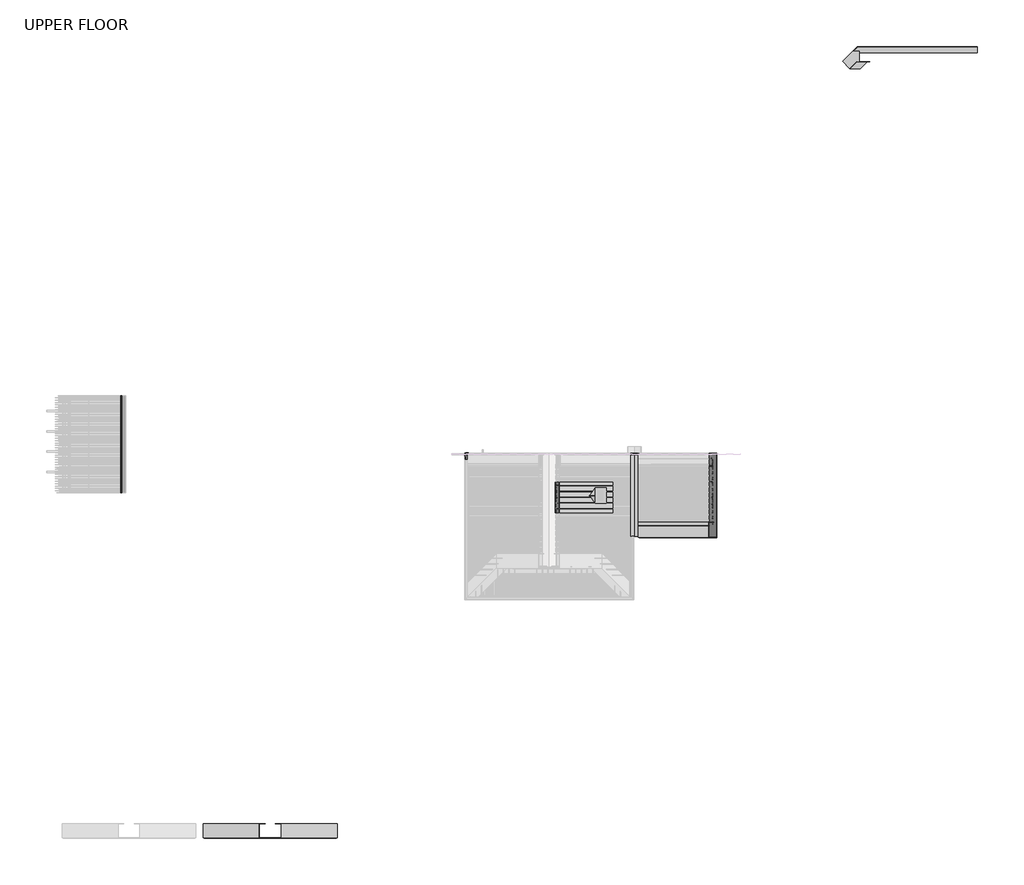
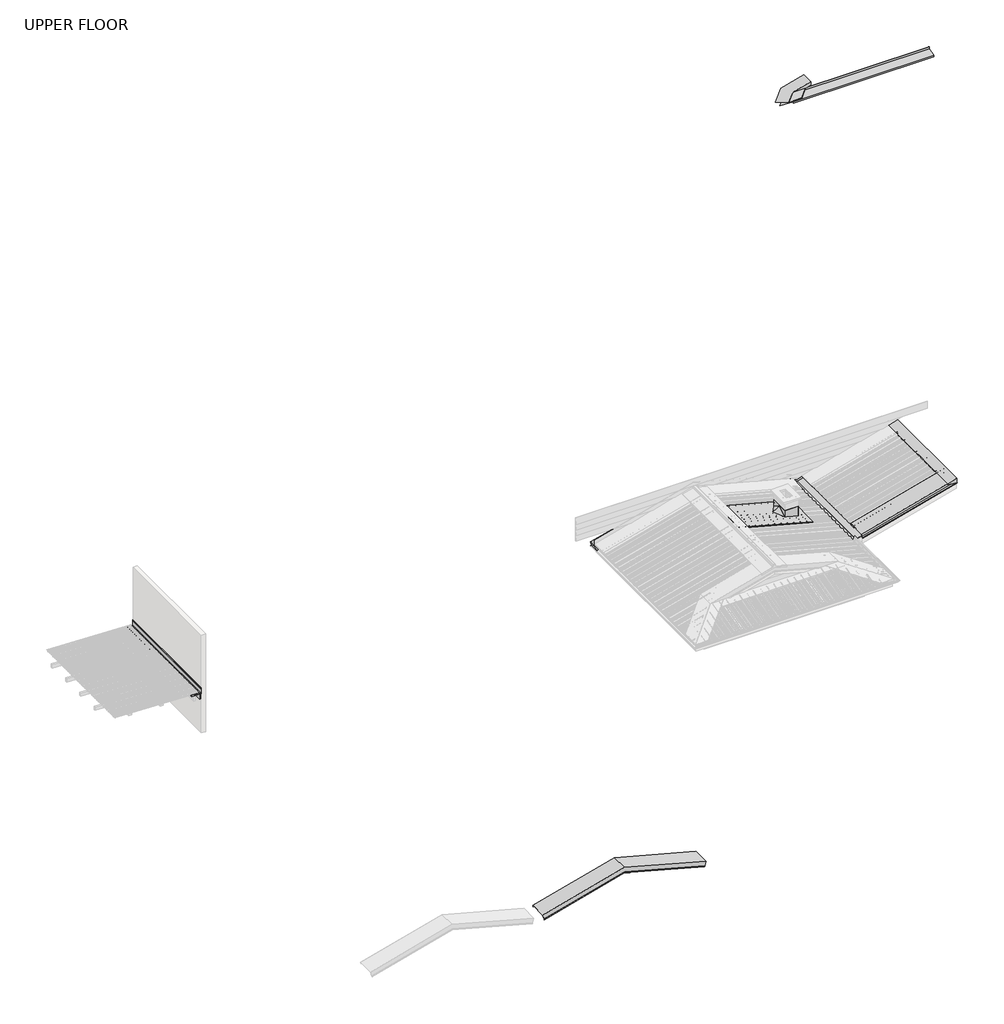
# One storey, part 21 of 21: 16 proxies.
"""IFC4 building model written with IfcOpenShell, lengths in millimetres."""

import ifcopenshell
import ifcopenshell.guid

model = None  # the IFC model being written
_history = None  # IfcOwnerHistory: only IFC2X3 demands one
_inside = {}  # id of a spatial element -> (the spatial element, [elements in it])
_under = {}  # id of a project, library or spatial element -> (it, [spatial elements below it])
_declared = {}  # id of a project -> (the project, [libraries it declares])
_typed = {}  # id of a type object -> (the type object, [elements of that type])
_made_of = {}  # id of a material, layer set ... -> (it, [elements and type objects made of it])


def new_model(schema):
    """Start an empty IFC model of exactly this schema.

    Asked for "IFC4X3", IfcOpenShell would pick the latest addendum, in which some entities
    have other attributes; the version numbers below select the first issue.
    IFC2X3 requires an IfcOwnerHistory on every rooted entity: one is made here for all.
    """
    global model, _history
    if schema == "IFC4X3":
        model = ifcopenshell.file(schema_version=(4, 3, 0, 0))
    else:
        model = ifcopenshell.file(schema=schema)
    _inside.clear()
    _under.clear()
    _declared.clear()
    _typed.clear()
    _made_of.clear()
    _history = None
    if model.schema == "IFC2X3":
        org = make("IfcOrganization", Name="unknown")
        user = make(
            "IfcPersonAndOrganization",
            ThePerson=make("IfcPerson", FamilyName="unknown"),
            TheOrganization=org,
        )
        app = make(
            "IfcApplication",
            ApplicationDeveloper=org,
            Version="unknown",
            ApplicationFullName="unknown",
            ApplicationIdentifier="unknown",
        )
        _history = make(
            "IfcOwnerHistory",
            OwningUser=user,
            OwningApplication=app,
            ChangeAction="ADDED",
            CreationDate=0,
        )
    return model


def make(cls, **values):
    """One entity of the class cls with the attributes given. An attribute that is None is left unset."""
    return model.create_entity(
        cls, **{name: value for name, value in values.items() if value is not None}
    )


def rooted(cls, **values):
    """An entity with a GlobalId (a new one), such as an element, a storey or a relation."""
    return make(cls, GlobalId=ifcopenshell.guid.new(), OwnerHistory=_history, **values)


def si_unit(unit_type, name, prefix=None):
    """IfcSIUnit, for example si_unit("LENGTHUNIT", "METRE", prefix="MILLI")."""
    return make("IfcSIUnit", UnitType=unit_type, Prefix=prefix, Name=name)


def assignment(units):
    """IfcUnitAssignment: the units of a project."""
    return None if units is None else make("IfcUnitAssignment", Units=units)


def point(xyz):
    """IfcCartesianPoint."""
    return None if xyz is None else make("IfcCartesianPoint", Coordinates=xyz)


def direction(xyz):
    """IfcDirection."""
    return None if xyz is None else make("IfcDirection", DirectionRatios=xyz)


def frame(location, z_axis=None, x_axis=None):
    """IfcAxis2Placement3D, a coordinate frame: its origin and axes. An axis left out is left unset."""
    return make(
        "IfcAxis2Placement3D",
        Location=point(location),
        Axis=direction(z_axis),
        RefDirection=direction(x_axis),
    )


def frame_2d(location, x_axis=None):
    """IfcAxis2Placement2D, a coordinate frame in the plane: its origin and x axis."""
    return make(
        "IfcAxis2Placement2D", Location=point(location), RefDirection=direction(x_axis)
    )


def origin():
    """The frame at (0, 0, 0) with its axes left unset."""
    return frame((0.0, 0.0, 0.0))


def place(relative_to, where):
    """IfcLocalPlacement: puts the frame where relative to a parent placement (None: the world)."""
    return make(
        "IfcLocalPlacement", PlacementRelTo=relative_to, RelativePlacement=where
    )


def context(
    kind, dimensions, precision=None, world=None, true_north=None, identifier=None
):
    """IfcGeometricRepresentationContext, for example the 3D "Model" context."""
    return make(
        "IfcGeometricRepresentationContext",
        ContextIdentifier=identifier,
        ContextType=kind,
        CoordinateSpaceDimension=dimensions,
        Precision=precision,
        WorldCoordinateSystem=world,
        TrueNorth=true_north,
    )


def project(units=None, contexts=None):
    """IfcProject with its units and contexts."""
    return rooted(
        "IfcProject",
        Name="project",
        RepresentationContexts=contexts,
        UnitsInContext=assignment(units),
    )


def spatial(cls, under=None, at=None, **own):
    """A site, building, storey or space (cls), placed at a placement, below another one or the project."""
    s = rooted(cls, ObjectPlacement=at, **own)
    if under is not None:
        _under.setdefault(under.id(), (under, []))[1].append(s)
    return s


def polyline(points):
    """IfcPolyline through the points."""
    return make("IfcPolyline", Points=[point(p) for p in points])


def circle_curve(where, radius):
    """IfcCircle in the frame where."""
    return make("IfcCircle", Position=where, Radius=radius)


def trimmed(basis, trim1, trim2, sense, master):
    """IfcTrimmedCurve: the piece of a basis curve between two trims."""
    return make(
        "IfcTrimmedCurve",
        BasisCurve=basis,
        Trim1=trim1,
        Trim2=trim2,
        SenseAgreement=sense,
        MasterRepresentation=master,
    )


def segment(curve, same_sense, transition):
    """IfcCompositeCurveSegment."""
    return make(
        "IfcCompositeCurveSegment",
        Transition=transition,
        SameSense=same_sense,
        ParentCurve=curve,
    )


def composite_curve(segments, self_intersect=None):
    """IfcCompositeCurve: segments joined end to end."""
    return make("IfcCompositeCurve", Segments=segments, SelfIntersect=self_intersect)


def outline(outer, holes=None, kind="AREA"):
    """IfcArbitraryClosedProfileDef: a profile drawn as a closed curve; with holes, ...WithVoids."""
    if holes is None:
        return make("IfcArbitraryClosedProfileDef", ProfileType=kind, OuterCurve=outer)
    return make(
        "IfcArbitraryProfileDefWithVoids",
        ProfileType=kind,
        OuterCurve=outer,
        InnerCurves=holes,
    )


def extrude(swept, where, along, depth):
    """IfcExtrudedAreaSolid: the profile swept, set in the frame where, extruded along a direction by depth."""
    return make(
        "IfcExtrudedAreaSolid",
        SweptArea=swept,
        Position=where,
        ExtrudedDirection=direction(along),
        Depth=depth,
    )


def faces_of(points, faces, orient=None, outer=None):
    """IfcFace entities. A face is a list of loops; a loop is a list of indices into points, from 0.

    orient and outer hold one flag for each loop. By default every Orientation is true, the
    first loop of a face is its IfcFaceOuterBound and the others are IfcFaceBound.
    """
    made = []
    for i, loops in enumerate(faces):
        bounds = []
        for j, loop in enumerate(loops):
            is_outer = j == 0 if outer is None else outer[i][j]
            bounds.append(
                make(
                    "IfcFaceOuterBound" if is_outer else "IfcFaceBound",
                    Bound=make("IfcPolyLoop", Polygon=[points[k] for k in loop]),
                    Orientation=True if orient is None else orient[i][j],
                )
            )
        made.append(make("IfcFace", Bounds=bounds))
    return made


def faceted_brep(points, faces, orient=None, outer=None, voids=None):
    """IfcFacetedBrep: a solid bounded by flat faces; with voids (closed shells), ...WithVoids."""
    shared = [point(p) for p in points]
    hull = make("IfcClosedShell", CfsFaces=faces_of(shared, faces, orient, outer))
    if voids is None:
        return make("IfcFacetedBrep", Outer=hull)
    return make(
        "IfcFacetedBrepWithVoids",
        Outer=hull,
        Voids=[
            make(cls, CfsFaces=faces_of(shared, fs, o, b)) for cls, fs, o, b in voids
        ],
    )


def shape(context_of_items, identifier, shape_type, items):
    """IfcShapeRepresentation: the items that make up one representation, for example the "Body"."""
    return make(
        "IfcShapeRepresentation",
        ContextOfItems=context_of_items,
        RepresentationIdentifier=identifier,
        RepresentationType=shape_type,
        Items=items,
    )


def source(mapping_origin, context_of_items, identifier, shape_type, items):
    """IfcRepresentationMap: a shape defined once, which mapped items show again and again."""
    return make(
        "IfcRepresentationMap",
        MappingOrigin=mapping_origin,
        MappedRepresentation=shape(context_of_items, identifier, shape_type, items),
    )


def transform(
    local_origin,
    x_axis=None,
    y_axis=None,
    z_axis=None,
    scale=None,
    scale2=None,
    scale3=None,
    uniform=True,
):
    """IfcCartesianTransformationOperator3D, or its non-uniform kind. x_axis, y_axis, z_axis: its Axis1, 2, 3."""
    if uniform:
        return make(
            "IfcCartesianTransformationOperator3D",
            Axis1=direction(x_axis),
            Axis2=direction(y_axis),
            LocalOrigin=point(local_origin),
            Scale=scale,
            Axis3=direction(z_axis),
        )
    return make(
        "IfcCartesianTransformationOperator3DnonUniform",
        Axis1=direction(x_axis),
        Axis2=direction(y_axis),
        LocalOrigin=point(local_origin),
        Scale=scale,
        Axis3=direction(z_axis),
        Scale2=scale2,
        Scale3=scale3,
    )


def mapped(mapping_source, mapping_target):
    """IfcMappedItem: shows the shape of a source again, moved by a transform."""
    return make(
        "IfcMappedItem", MappingSource=mapping_source, MappingTarget=mapping_target
    )


def made_of(thing, what):
    """Note that an element or type object is made of a material, layer set ...; save() writes the relation."""
    if what is not None:
        _made_of.setdefault(what.id(), (what, []))[1].append(thing)
    return thing


def element(
    cls,
    number,
    at=None,
    inside=None,
    cuts=None,
    type_object=None,
    material=None,
    context=None,
    identifier="Body",
    shape_type=None,
    held_by="IfcProductDefinitionShape",
    body=None,
    shapes=None,
    **own,
):
    """One element of the class cls, such as IfcWall. Its Tag is "e" and its number.

    at: its placement. inside: the storey or other place that contains it. cuts: it is an
    opening in that element (IfcRelVoidsElement). A single representation is given by context,
    identifier, shape_type and body (its items); several are given by shapes. held_by: the class
    of the entity that holds the representations. save() writes the other relations.
    """
    e = rooted(cls, Tag="e%d" % number, ObjectPlacement=at, **own)
    if body is not None:
        shapes = [shape(context, identifier, shape_type, body)]
    if shapes is not None:
        e.Representation = make(held_by, Representations=shapes)
    if inside is not None:
        _inside.setdefault(inside.id(), (inside, []))[1].append(e)
    if cuts is not None:
        rooted(
            "IfcRelVoidsElement", RelatingBuildingElement=cuts, RelatedOpeningElement=e
        )
    if type_object is not None:
        _typed.setdefault(type_object.id(), (type_object, []))[1].append(e)
    return made_of(e, material)


def aggregate(whole, parts):
    """IfcRelAggregates: a whole, such as a stair, and the parts it consists of."""
    return rooted("IfcRelAggregates", RelatingObject=whole, RelatedObjects=parts)


def save(model, path):
    """Write the relations noted so far, then the file.

    IfcRelAggregates (storeys below a building ...), IfcRelContainedInSpatialStructure (elements
    in a storey), IfcRelDefinesByType, IfcRelAssociatesMaterial and IfcRelDeclares: one each for
    every whole, place, type object, material and project.
    """
    for whole, parts in _under.values():
        aggregate(whole, parts)
    for where, things in _inside.values():
        rooted(
            "IfcRelContainedInSpatialStructure",
            RelatedElements=things,
            RelatingStructure=where,
        )
    for kind, things in _typed.values():
        rooted("IfcRelDefinesByType", RelatedObjects=things, RelatingType=kind)
    for what, things in _made_of.values():
        rooted("IfcRelAssociatesMaterial", RelatedObjects=things, RelatingMaterial=what)
    for by, libraries in _declared.values():
        rooted("IfcRelDeclares", RelatingContext=by, RelatedDefinitions=libraries)
    model.write(path)


def generic_models_c221d62b(model_context):
    return source(origin(), model_context, "Body", "SweptSolid", [
        extrude(outline(polyline([(0.0, 0.0), (50.6372232, 0.0), (141.0, -155.70776), (141.0, -201.0), (0.0, -201.0), (0.0, 0.0)])), frame((-652.1762165, -278.0, 3250.912136), z_axis=(0.9659258262890685, 0.0, 0.2588190451025197), x_axis=(-0.2588190451025197, 0.0, 0.9659258262890685)), (0.0, 0.0, 1.0), 1.7645355),
        extrude(outline(polyline([(-192.5, -2.8427894), (7.5, -2.8427894), (7.5, 137.1572106), (8.5, 137.1572106), (8.5, -3.8427894), (-192.5, -3.8427894), (-192.5, -2.8427894)])), frame((-651.4663932, -85.5, 3255.0806809), z_axis=(0.9659258262890685, 0.0, 0.2588190451025197), x_axis=(0.0, 1.0, 0.0)), (0.0, 0.0, 1.0), 690.0),
    ])


def generic_models_1360a12d(model_context):
    return source(origin(), model_context, "Body", "SweptSolid", [
        extrude(outline(composite_curve([segment(polyline([(3799.2452806, -11767.1861291), (3799.2452806, -11597.1861291), (3949.6655464, -11597.1861291)]), True, "CONTINUOUS"), segment(trimmed(circle_curve(frame_2d((3949.6655464, -11602.1861291)), 5.0), [point((3949.6655464, -11597.1861291))], [point((3949.6655464, -11607.1861291))], False, "CARTESIAN"), True, "CONTINUOUS"), segment(polyline([(3949.6655464, -11607.1861291), (3929.6655464, -11607.1861291), (3929.6655464, -11602.1861291), (3804.2452806, -11602.1861291), (3804.2452806, -11762.1861291), (3823.7887381, -11762.1861291), (3821.6496348, -11737.7360669)]), True, "CONTINUOUS"), segment(trimmed(circle_curve(frame_2d((3824.1401216, -11737.5181775)), 2.5), [point((3821.6496348, -11737.7360669))], [point((3826.6306083, -11737.3002882))], False, "CARTESIAN"), True, "CONTINUOUS"), segment(polyline([(3826.6306083, -11737.3002882), (3829.2452806, -11767.1861291), (3799.2452806, -11767.1861291)]), True, "CONTINUOUS")], self_intersect=False)), frame((0.0, -1346.7884221, 0.0), z_axis=(0.0, 1.0, 0.0), x_axis=(0.0, 0.0, 1.0)), (0.0, 0.0, 1.0), 3090.0),
    ])


def proxy_45_x_140_beam_45_x_140_truss_313b2cad(model_context):
    return source(origin(), model_context, "Body", "SweptSolid", [
        extrude(outline(polyline([(-11597.1861291, -1346.7884221), (-11642.1861291, -1346.7884221), (-11642.1861291, 1743.2115779), (-11597.1861291, 1743.2115779), (-11597.1861291, -1346.7884221)])), frame((0.0, 0.0, 3644.2452806), z_axis=(0.0, 0.0, 1.0), x_axis=(1.0, 0.0, 0.0)), (0.0, 0.0, 1.0), 140.0),
    ])


def proxy_45_x_75_purlin_45_x_75_purlin_4844a186(model_context):
    return source(origin(), model_context, "Body", "SweptSolid", [
        extrude(outline(polyline([(-11767.1861291, -1346.7884221), (-11842.1861291, -1346.7884221), (-11842.1861291, 1743.2115779), (-11767.1861291, 1743.2115779), (-11767.1861291, -1346.7884221)])), frame((0.0, 0.0, 3784.2452806), z_axis=(0.0, 0.0, 1.0), x_axis=(1.0, 0.0, 0.0)), (0.0, 0.0, 1.0), 45.0),
    ])


def chimney_flashing2_chimney_flashing_6233d302(model_context):
    return source(origin(), model_context, "Body", "SweptSolid", [
        extrude(outline(polyline([(0.0, 0.0), (-177.4838021, -231.688649), (-354.9676042, 0.0), (0.0, 0.0)])), frame((3469.4671383, -1185.4718334, 3591.399561), z_axis=(-0.4545194776720404, 0.4545194776720451, 0.7660444431189792), x_axis=(0.7071067811865512, 0.7071067811865439, 0.0)), (0.0, 0.0, 1.0), 10.0),
        extrude(outline(polyline([(0.0, 0.0), (-177.4838021, -231.688649), (-354.9676042, 0.0), (0.0, 0.0)])), frame((3216.1945409, -1429.6540412, 3595.2297832), z_axis=(-0.45451947767204415, -0.45451947767204176, 0.766044443118979), x_axis=(-0.7071067811865457, 0.7071067811865495, 0.0)), (0.0, 0.0, 1.0), 5.0),
        extrude(outline(polyline([(3464.9219435, -1180.9266386), (3816.9219435, -1180.9266386), (3816.9219435, -1682.9266386), (3464.9219435, -1682.9266386), (3464.9219435, -1180.9266386)]), holes=[polyline([(3465.9219435, -1681.9266386), (3815.9219435, -1681.9266386), (3815.9219435, -1181.9266386), (3465.9219435, -1181.9266386), (3465.9219435, -1681.9266386)])]), frame((0.0, 0.0, 3505.1646635), z_axis=(0.0, 0.0, 1.0), x_axis=(1.0, 0.0, 0.0)), (0.0, 0.0, 1.0), 269.6718079),
    ])


def chimney_penetration_flashing2_chimney_flashing_2dd36843(model_context):
    return source(origin(), model_context, "Body", "Brep", [
        faceted_brep([(4034.3633972, -1976.566318, 3407.6723492), (4034.3633972, -1976.566318, 3446.4712036), (2083.8008732, -1976.566318, 3969.1228567), (2074.1011596, -1976.566318, 3932.9230327), (4034.3633972, -1009.2394205, 3407.6723492), (2074.1011596, -1009.2394205, 3932.9230327), (2083.8008732, -1009.2394205, 3969.1228567), (4034.3633972, -1009.2394205, 3446.4712036), (3815.016956, -1182.9266386, 3505.2449054), (3815.016956, -1682.9266386, 3505.2449054), (3465.016956, -1682.9266386, 3599.0271228), (3465.016956, -1182.9266386, 3599.0271228), (3815.016956, -1682.9266386, 3466.446051), (3815.016956, -1182.9266386, 3466.446051), (3465.016956, -1182.9266386, 3560.2282683), (3465.016956, -1682.9266386, 3560.2282683)], [[[0, 1, 2, 3]], [[4, 5, 6, 7]], [[1, 0, 4, 7]], [[2, 1, 7, 6], [8, 9, 10, 11]], [[3, 2, 6, 5]], [[0, 3, 5, 4], [12, 13, 14, 15]], [[12, 9, 8, 13]], [[13, 8, 11, 14]], [[14, 11, 10, 15]], [[9, 12, 15, 10]]]),
    ])


def gutter_board_gutter_board_e5d3b188(model_context):
    return source(origin(), model_context, "Body", "SweptSolid", [
        extrude(outline(polyline([(-11597.1861291, -1346.7884221), (-11767.1861291, -1346.7884221), (-11767.1861291, 1743.2115779), (-11597.1861291, 1743.2115779), (-11597.1861291, -1346.7884221)])), frame((0.0, 0.0, 3784.2452806), z_axis=(0.0, 0.0, 1.0), x_axis=(1.0, 0.0, 0.0)), (0.0, 0.0, 1.0), 15.0),
    ])


def roof_b_apron_flashing_8_roof_b_apron_flashing_a00311de(model_context):
    return source(origin(), model_context, "Body", "Brep", [
        faceted_brep([(15612.1333687, 8792.2230931, 4055.6588838), (15612.1333687, 8991.5960751, 4109.0807133), (15612.1333687, 8991.5960751, 4171.1338746), (15612.1333687, 8990.5960751, 4171.1338746), (15612.1333687, 8990.5960751, 4109.8480403), (15612.1333687, 8791.2230931, 4056.4262108), (15612.1333687, 8791.2230931, 4006.4262108), (15612.1333687, 8792.2230931, 4006.4262108), (11937.4883036, 8792.2230931, 4055.6588838), (11941.052318, 8795.7871075, 4056.6138586), (11595.2552051, 8795.7871075, 4056.6138586), (11791.0641727, 8991.5960751, 4109.0807133), (12022.6497234, 8991.5960751, 4171.1338746), (12022.6497234, 8990.5960751, 4171.1338746), (11793.927876, 8990.5960751, 4109.8480403), (11595.2552051, 8791.9234042, 4056.6138586), (11937.1886147, 8791.9234042, 4056.6138586), (11936.4883036, 8791.2230931, 4056.4262108), (11936.4883036, 8791.2230931, 4006.4262108), (11937.4883036, 8792.2230931, 4006.4262108)], [[[0, 1, 2, 3, 4, 5, 6, 7]], [[1, 0, 8, 9, 10, 11]], [[2, 1, 11, 12]], [[3, 2, 12, 13]], [[4, 3, 13, 14]], [[5, 4, 14, 15, 16, 17]], [[6, 5, 17, 18]], [[7, 6, 18, 19]], [[0, 7, 19, 8]], [[9, 16, 15, 10]], [[16, 9, 8, 19, 18, 17]], [[11, 10, 15, 14, 13, 12]]]),
    ])


def roof_b_barge_flashing1_roof_a_barge_flashing_02214388(model_context):
    return source(origin(), model_context, "Body", "SweptSolid", [
        extrude(outline(polyline([(3184.2197316, 12266.4883036), (3275.6605003, 12266.4883036), (3147.9403306, 11789.8301411), (3147.9403306, 12131.0917356), (3184.2197316, 12266.4883036)])), frame((0.0, 8990.5950844, 0.0), z_axis=(0.0, 1.0, 0.0), x_axis=(0.0, 0.0, 1.0)), (0.0, 0.0, 1.0), 1.0),
    ])


def roof_b_barge_flashing3_roof_a_barge_flashing_900f861a(model_context):
    return source(origin(), model_context, "Body", "Brep", [
        faceted_brep([(-4746.6801508, -11879.9321957, 3421.0347541), (-4758.7152364, -11879.9321957, 3376.1192032), (-4758.7152364, -11878.9321957, 3376.1192032), (-4746.4213317, -11878.9321957, 3422.00068), (-4746.4213317, -12329.0668095, 3422.00068), (-4777.1560933, -12329.0668095, 3307.2969881), (-4780.8163474, -12343.2089451, 3293.6367341), (-4783.5615379, -12332.6023434, 3283.3915435), (-4783.3785252, -12331.8952366, 3284.0745562), (-4780.8163474, -12341.7947316, 3293.6367341), (-4777.2632997, -12328.0668095, 3306.8968885), (-4746.6801508, -12328.0668095, 3421.0347541), (-6878.8553653, -11879.9321957, 3992.349381), (-9011.0305798, -11879.9321957, 3421.0347541), (-8998.9954942, -11879.9321957, 3376.1192032), (-6878.8553653, -11879.9321957, 3944.2090386), (-6878.8553653, -11878.9321957, 3944.2090386), (-8998.9954942, -11878.9321957, 3376.1192032), (-9011.2893988, -11878.9321957, 3422.00068), (-6878.8553653, -11878.9321957, 3993.3846572), (-6878.8553653, -12329.0668095, 3993.3846572), (-9011.2893988, -12329.0668095, 3422.00068), (-8980.5546372, -12329.0668095, 3307.2969881), (-6878.8553653, -12329.0668095, 3870.4456108), (-6878.8553653, -12343.2089451, 3855.8045946), (-6878.8553653, -12332.6023434, 3844.8238325), (-6878.8553653, -12331.8952366, 3845.5558833), (-6878.8553653, -12341.7947316, 3855.8045946), (-6878.8553653, -12328.0668095, 3870.0167853), (-8980.4474309, -12328.0668095, 3306.8968885), (-9011.0305798, -12328.0668095, 3421.0347541), (-6878.8553653, -12328.0668095, 3992.349381), (-8976.8943832, -12341.7947316, 3293.6367341), (-8974.3322054, -12331.8952366, 3284.0745562), (-8974.1491927, -12332.6023434, 3283.3915435), (-8976.8943832, -12343.2089451, 3293.6367341)], [[[0, 1, 2, 3, 4, 5, 6, 7, 8, 9, 10, 11]], [[1, 0, 12, 13, 14, 15]], [[2, 1, 15, 16]], [[3, 2, 16, 17, 18, 19]], [[4, 3, 19, 20]], [[5, 4, 20, 21, 22, 23]], [[6, 5, 23, 24]], [[7, 6, 24, 25]], [[8, 7, 25, 26]], [[9, 8, 26, 27]], [[10, 9, 27, 28]], [[11, 10, 28, 29, 30, 31]], [[0, 11, 31, 12]], [[13, 30, 29, 32, 33, 34, 35, 22, 21, 18, 17, 14]], [[16, 15, 14, 17]], [[20, 19, 18, 21]], [[24, 23, 22, 35]], [[25, 24, 35, 34]], [[26, 25, 34, 33]], [[27, 26, 33, 32]], [[28, 27, 32, 29]], [[12, 31, 30, 13]]]),
    ])


def roof_b_barge_flashing6_roof_a_barge_flashing_38ce658c(model_context):
    return source(origin(), model_context, "Body", "Brep", [
        faceted_brep([(11789.8230992, 8990.5950844, 3147.9403681), (11568.3230036, 8769.0949888, 3088.5895964), (11570.1156526, 8767.3023398, 3088.1092575), (11904.1121148, 8767.3023398, 3088.1092575), (12127.4048593, 8990.5950844, 3147.9403681), (11568.1159484, 8769.302044, 3086.9886348), (11789.4089887, 8990.5950844, 3146.2839262), (12126.9907488, 8990.5950844, 3146.2839262), (11903.6980043, 8767.3023398, 3086.4528156), (11570.1156526, 8767.3023398, 3086.4528156)], [[[0, 1, 2, 3, 4]], [[5, 1, 0, 6]], [[5, 6, 7, 8, 9]], [[7, 4, 3, 8]], [[1, 5, 9, 2]], [[0, 4, 7, 6]], [[3, 2, 9, 8]]]),
    ])


def roof_b_gutter_end_roof_b_gutter_end_4bea0758(model_context):
    return source(origin(), model_context, "Body", "SweptSolid", [
        extrude(outline(composite_curve([segment(polyline([(3180.6763391, -609.9561164), (3180.6763391, -555.9561164)]), True, "CONTINUOUS"), segment(trimmed(circle_curve(frame_2d((3182.6763391, -555.9561164)), 2.0), [point((3180.6763391, -555.9561164))], [point((3182.6763391, -553.9561164))], False, "CARTESIAN"), True, "CONTINUOUS"), segment(polyline([(3182.6763391, -553.9561164), (3230.6370105, -553.9561164)]), True, "CONTINUOUS"), segment(trimmed(circle_curve(frame_2d((3230.5307477, -558.2647789)), 4.3099726), [point((3230.6370105, -553.9561164))], [point((3233.6002352, -555.2392028))], False, "CARTESIAN"), True, "CONTINUOUS"), segment(trimmed(circle_curve(frame_2d((3234.6002352, -554.2535086)), 1.4041343), [point((3233.6002352, -555.2392028))], [point((3235.6002352, -555.2392028))], True, "CARTESIAN"), True, "CONTINUOUS"), segment(trimmed(circle_curve(frame_2d((3238.6697226, -558.2647789)), 4.3099726), [point((3235.6002352, -555.2392028))], [point((3238.5634599, -553.9561164))], False, "CARTESIAN"), True, "CONTINUOUS"), segment(polyline([(3238.5634599, -553.9561164), (3240.5885717, -553.9561164), (3258.218254, -671.4825196)]), True, "CONTINUOUS"), segment(trimmed(circle_curve(frame_2d((3251.7817717, -672.4480315)), 6.5084958), [point((3258.218254, -671.4825196))], [point((3245.4719989, -674.0440531))], False, "CARTESIAN"), True, "CONTINUOUS"), segment(trimmed(circle_curve(frame_2d((3233.6974373, -675.6358894)), 11.8816767), [point((3245.4719989, -674.0440531))], [point((3238.0905136, -664.5961827))], True, "CARTESIAN"), True, "CONTINUOUS"), segment(polyline([(3238.0905136, -664.5961827), (3210.2164005, -653.5041215)]), True, "CONTINUOUS"), segment(trimmed(circle_curve(frame_2d((3227.5456386, -609.9561164)), 46.8692995), [point((3210.2164005, -653.5041215))], [point((3180.6763391, -609.9561164))], False, "CARTESIAN"), True, "CONTINUOUS")], self_intersect=False)), frame((0.0, -67.0, 0.0), z_axis=(0.0, 1.0, 0.0), x_axis=(0.0, 0.0, 1.0)), (0.0, 0.0, 1.0), 2.2149942),
    ])


def roof_b_hip_flashing_8_roof_b_hip_flashing_65bc5149(model_context):
    return source(origin(), model_context, "Body", "Brep", [
        faceted_brep([(11345.1974545, 8992.2205379, 3027.1449194), (11345.1974545, 8992.2205379, 3028.8013612), (11664.0726663, 9311.0957498, 3114.2437167), (11664.0726663, 9311.0957498, 3112.5872749), (11790.8247195, 8991.5958862, 3148.206827), (12266.4883036, 8991.5958862, 3275.6605003), (12266.4883036, 9311.0957498, 3275.6605003), (11568.3234129, 8769.0945795, 3088.5877816), (12266.4883036, 8991.5958862, 3274.0040584), (11790.8247195, 8991.5958862, 3146.5503852), (11568.3234129, 8769.0945795, 3086.9313397), (12266.4883036, 9311.0957498, 3274.0040584)], [[[0, 1, 2, 3]], [[4, 5, 6, 2, 1, 7]], [[8, 9, 10, 0, 3, 11]], [[4, 9, 8, 5]], [[9, 4, 7, 10]], [[5, 8, 11, 6]], [[1, 0, 10, 7]], [[3, 2, 6, 11]]]),
    ])


def roof_c_barge_flashing_roof_c_barge_flashing_6ac8e120(model_context):
    return source(origin(), model_context, "Body", "SweptSolid", [
        extrude(outline(polyline([(-469.9839668, -107.6029118), (-469.9839668, -67.6029118), (-468.9839668, -67.6029118), (-468.9839668, -106.6029118), (18.2657646, -106.6029118), (18.2657646, 2.8113018), (31.9936867, 16.5392239), (22.0941917, 26.4387188), (22.8012985, 27.1458256), (33.4079002, 16.5392239), (19.2657646, 2.3970882), (19.2657646, -107.6029118), (-469.9839668, -107.6029118)])), frame((4870.8669178, -2745.0, 3194.1221318), z_axis=(0.9659258262890686, 0.0, 0.2588190451025195), x_axis=(0.0, -1.0, 0.0)), (0.0, 0.0, 1.0), 2546.2367807),
    ])


def roof_c_ridge_flashing_roof_c_ridge_flashing_330534bc(model_context):
    return source(origin(), model_context, "Body", "SweptSolid", [
        extrude(outline(polyline([(3967.9229545, 7331.4081038), (3905.4787487, 7098.363155), (3865.4787487, 7098.363155), (3850.5262936, 7330.4081038), (3836.7983716, 7344.1360259), (3826.8988766, 7334.2365309), (3826.1917698, 7334.9436377), (3836.7983716, 7345.5502394), (3850.9405072, 7331.4081038), (3967.9229545, 7331.4081038)])), frame((0.0, -2764.6928122, 0.0), z_axis=(0.0, 1.0, 0.0), x_axis=(0.0, 0.0, 1.0)), (0.0, 0.0, 1.0), 2685.4270476),
    ])


def roof_c_valley_gutter_roof_b_valley_gutter_074b76cd(model_context):
    return source(origin(), model_context, "Body", "SweptSolid", [
        extrude(outline(polyline([(3179.1073801, 4712.1022225), (3236.1024544, 4924.8107355), (3461.1631719, 4864.505898), (3461.1631719, 4566.5293781), (3234.3947466, 4505.7669617), (3179.1073801, 4712.1022225)])), frame((0.0, -85.5, 0.0), z_axis=(0.0, 1.0, 0.0), x_axis=(0.0, 0.0, 1.0)), (0.0, 0.0, 1.0), 2.0),
        extrude(outline(polyline([(3236.8095612, 4506.4140093), (3255.0739547, 4511.3079388), (3245.1865999, 4538.4732229), (3246.1262925, 4538.815243), (3256.3868968, 4510.6244644), (3236.1024544, 4505.1892645), (3179.8838373, 4715.0), (3236.1024544, 4924.8107355), (3256.3868968, 4919.3755356), (3246.1262925, 4891.184757), (3245.1865999, 4891.5267771), (3255.0739547, 4918.6920612), (3236.8095612, 4923.5859907), (3180.9191134, 4715.0), (3236.8095612, 4506.4140093)])), frame((0.0, -2735.0, 0.0), z_axis=(0.0, 1.0, 0.0), x_axis=(0.0, 0.0, 1.0)), (0.0, 0.0, 1.0), 2649.5),
    ])


model = new_model("IFC4")

# Units and contexts
model_context = context("Model", 3, world=origin())
ifc_project = project(units=[si_unit("LENGTHUNIT", "METRE", prefix="MILLI")], contexts=[model_context])

# Site, building, storey
site = spatial("IfcSite", under=ifc_project)
building = spatial("IfcBuilding", under=site)
storey = spatial("IfcBuildingStorey", under=building, Name="UPPER FLOOR", Elevation=2700.0)

# Proxies
placement = place(None, origin())
generic_models_shape = generic_models_c221d62b(model_context)
element("IfcBuildingElementProxy", 1, Name="Generic Models", at=placement, inside=storey, context=model_context, shape_type="MappedRepresentation", body=[
    mapped(generic_models_shape, transform((0.0, 0.0, 0.0), x_axis=(1.0, 0.0, 0.0), y_axis=(0.0, 1.0, 0.0), z_axis=(0.0, 0.0, 1.0))),
])
generic_models_2_shape = generic_models_1360a12d(model_context)
element("IfcBuildingElementProxy", 2, Name="Generic Models", at=placement, inside=storey, context=model_context, shape_type="MappedRepresentation", body=[
    mapped(generic_models_2_shape, transform((0.0, 0.0, 0.0), x_axis=(1.0, 0.0, 0.0), y_axis=(0.0, 1.0, 0.0), z_axis=(0.0, 0.0, 1.0))),
])
proxy_45_x_140_beam_45_x_140_truss_shape = proxy_45_x_140_beam_45_x_140_truss_313b2cad(model_context)
element("IfcBuildingElementProxy", 3, Name="45 x 140 beam : 45 x 140 truss", ObjectType="45 x 140 beam : 45 x 140 truss", at=placement, inside=storey, context=model_context, shape_type="MappedRepresentation", body=[
    mapped(proxy_45_x_140_beam_45_x_140_truss_shape, transform((0.0, 0.0, 0.0), x_axis=(1.0, 0.0, 0.0), y_axis=(0.0, 1.0, 0.0), z_axis=(0.0, 0.0, 1.0))),
])
proxy_45_x_75_purlin_45_x_75_purlin_shape = proxy_45_x_75_purlin_45_x_75_purlin_4844a186(model_context)
element("IfcBuildingElementProxy", 4, Name="45 x 75 purlin : 45 x 75 purlin", ObjectType="45 x 75 purlin : 45 x 75 purlin", at=placement, inside=storey, context=model_context, shape_type="MappedRepresentation", body=[
    mapped(proxy_45_x_75_purlin_45_x_75_purlin_shape, transform((0.0, 0.0, 0.0), x_axis=(1.0, 0.0, 0.0), y_axis=(0.0, 1.0, 0.0), z_axis=(0.0, 0.0, 1.0))),
])
chimney_flashing2_chimney_flashing_shape = chimney_flashing2_chimney_flashing_6233d302(model_context)
element("IfcBuildingElementProxy", 5, Name="Chimney Flashing2 : Chimney Flashing", ObjectType="Chimney Flashing2 : Chimney Flashing", at=placement, inside=storey, context=model_context, shape_type="MappedRepresentation", body=[
    mapped(chimney_flashing2_chimney_flashing_shape, transform((0.0, 0.0, 0.0), x_axis=(1.0, 0.0, 0.0), y_axis=(0.0, 1.0, 0.0), z_axis=(0.0, 0.0, 1.0))),
])
chimney_penetration_flashing2_chimney_flashing_shape = chimney_penetration_flashing2_chimney_flashing_2dd36843(model_context)
element("IfcBuildingElementProxy", 6, Name="Chimney Penetration Flashing2 : Chimney Flashing", ObjectType="Chimney Penetration Flashing2 : Chimney Flashing", at=placement, inside=storey, context=model_context, shape_type="MappedRepresentation", body=[
    mapped(chimney_penetration_flashing2_chimney_flashing_shape, transform((0.0, 0.0, 0.0), x_axis=(1.0, 0.0, 0.0), y_axis=(0.0, 1.0, 0.0), z_axis=(0.0, 0.0, 1.0))),
])
gutter_board_gutter_board_shape = gutter_board_gutter_board_e5d3b188(model_context)
element("IfcBuildingElementProxy", 7, Name="Gutter board : Gutter board", ObjectType="Gutter board : Gutter board", at=placement, inside=storey, context=model_context, shape_type="MappedRepresentation", body=[
    mapped(gutter_board_gutter_board_shape, transform((0.0, 0.0, 0.0), x_axis=(1.0, 0.0, 0.0), y_axis=(0.0, 1.0, 0.0), z_axis=(0.0, 0.0, 1.0))),
])
roof_b_apron_flashing_8_roof_b_apron_flashing_shape = roof_b_apron_flashing_8_roof_b_apron_flashing_a00311de(model_context)
element("IfcBuildingElementProxy", 8, Name="Roof B - Apron Flashing 8 : Roof B Apron Flashing", ObjectType="Roof B - Apron Flashing 8 : Roof B Apron Flashing", at=placement, inside=storey, context=model_context, shape_type="MappedRepresentation", body=[
    mapped(roof_b_apron_flashing_8_roof_b_apron_flashing_shape, transform((31.4603681, 3876.8512625, -665.7477055), x_axis=(1.0, 0.0, 0.0), y_axis=(0.0, 1.0, 0.0), z_axis=(0.0, 0.0, 1.0))),
])
roof_b_barge_flashing1_roof_a_barge_flashing_shape = roof_b_barge_flashing1_roof_a_barge_flashing_02214388(model_context)
element("IfcBuildingElementProxy", 9, Name="Roof B - Barge Flashing1 : Roof A - Barge Flashing", ObjectType="Roof B - Barge Flashing1 : Roof A - Barge Flashing", at=placement, inside=storey, context=model_context, shape_type="MappedRepresentation", body=[
    mapped(roof_b_barge_flashing1_roof_a_barge_flashing_shape, transform((4.2711345, 3399.9661714, 730.0829115), x_axis=(1.0, 0.0, 0.0), y_axis=(0.0, 1.0, 0.0), z_axis=(0.0, 0.0, 1.0))),
])
roof_b_barge_flashing3_roof_a_barge_flashing_shape = roof_b_barge_flashing3_roof_a_barge_flashing_900f861a(model_context)
element("IfcBuildingElementProxy", 10, Name="Roof B - Barge Flashing3 : Roof A - Barge Flashing", ObjectType="Roof B - Barge Flashing3 : Roof A - Barge Flashing", at=placement, inside=storey, context=model_context, shape_type="MappedRepresentation", body=[
    mapped(roof_b_barge_flashing3_roof_a_barge_flashing_shape, transform((0.0, 0.0, 0.0), x_axis=(1.0, 0.0, 0.0), y_axis=(0.0, 1.0, 0.0), z_axis=(0.0, 0.0, 1.0))),
])
roof_b_barge_flashing6_roof_a_barge_flashing_shape = roof_b_barge_flashing6_roof_a_barge_flashing_38ce658c(model_context)
element("IfcBuildingElementProxy", 11, Name="Roof B - Barge Flashing6 : Roof A - Barge Flashing", ObjectType="Roof B - Barge Flashing6 : Roof A - Barge Flashing", at=placement, inside=storey, context=model_context, shape_type="MappedRepresentation", body=[
    mapped(roof_b_barge_flashing6_roof_a_barge_flashing_shape, transform((4.2711345, 3399.9661714, 730.0829115), x_axis=(1.0, 0.0, 0.0), y_axis=(0.0, 1.0, 0.0), z_axis=(0.0, 0.0, 1.0))),
])
roof_b_gutter_end_roof_b_gutter_end_shape = roof_b_gutter_end_roof_b_gutter_end_4bea0758(model_context)
element("IfcBuildingElementProxy", 12, Name="Roof B - Gutter End : Roof B - Gutter End", ObjectType="Roof B - Gutter End : Roof B - Gutter End", at=placement, inside=storey, context=model_context, shape_type="MappedRepresentation", body=[
    mapped(roof_b_gutter_end_roof_b_gutter_end_shape, transform((0.0, 0.0, 20.0), x_axis=(1.0, 0.0, 0.0), y_axis=(0.0, 1.0, 0.0), z_axis=(0.0, 0.0, 1.0))),
])
roof_b_hip_flashing_8_roof_b_hip_flashing_shape = roof_b_hip_flashing_8_roof_b_hip_flashing_65bc5149(model_context)
element("IfcBuildingElementProxy", 13, Name="Roof B - Hip Flashing 8 : Roof B Hip Flashing", ObjectType="Roof B - Hip Flashing 8 : Roof B Hip Flashing", at=placement, inside=storey, context=model_context, shape_type="MappedRepresentation", body=[
    mapped(roof_b_hip_flashing_8_roof_b_hip_flashing_shape, transform((4.2711345, 3399.9661714, 730.0829115), x_axis=(1.0, 0.0, 0.0), y_axis=(0.0, 1.0, 0.0), z_axis=(0.0, 0.0, 1.0))),
])
roof_c_barge_flashing_roof_c_barge_flashing_shape = roof_c_barge_flashing_roof_c_barge_flashing_6ac8e120(model_context)
element("IfcBuildingElementProxy", 14, Name="Roof C - Barge Flashing : Roof C - Barge Flashing", ObjectType="Roof C - Barge Flashing : Roof C - Barge Flashing", at=placement, inside=storey, context=model_context, shape_type="MappedRepresentation", body=[
    mapped(roof_c_barge_flashing_roof_c_barge_flashing_shape, transform((0.0, 0.0, 0.0), x_axis=(1.0, 0.0, 0.0), y_axis=(0.0, 1.0, 0.0), z_axis=(0.0, 0.0, 1.0))),
])
roof_c_ridge_flashing_roof_c_ridge_flashing_shape = roof_c_ridge_flashing_roof_c_ridge_flashing_330534bc(model_context)
element("IfcBuildingElementProxy", 15, Name="Roof C - Ridge Flashing : Roof C - Ridge Flashing", ObjectType="Roof C - Ridge Flashing : Roof C - Ridge Flashing", at=placement, inside=storey, context=model_context, shape_type="MappedRepresentation", body=[
    mapped(roof_c_ridge_flashing_roof_c_ridge_flashing_shape, transform((0.0, 0.0, 0.0), x_axis=(1.0, 0.0, 0.0), y_axis=(0.0, 1.0, 0.0), z_axis=(0.0, 0.0, 1.0))),
])
roof_c_valley_gutter_roof_b_valley_gutter_shape = roof_c_valley_gutter_roof_b_valley_gutter_074b76cd(model_context)
element("IfcBuildingElementProxy", 16, Name="Roof C - Valley Gutter : Roof B Valley Gutter", ObjectType="Roof C - Valley Gutter : Roof B Valley Gutter", at=placement, inside=storey, context=model_context, shape_type="MappedRepresentation", body=[
    mapped(roof_c_valley_gutter_roof_b_valley_gutter_shape, transform((0.0, 0.0, 0.0), x_axis=(1.0, 0.0, 0.0), y_axis=(0.0, 1.0, 0.0), z_axis=(0.0, 0.0, 1.0))),
])

save(model, "model.ifc")
